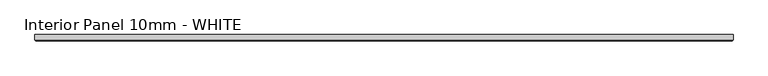
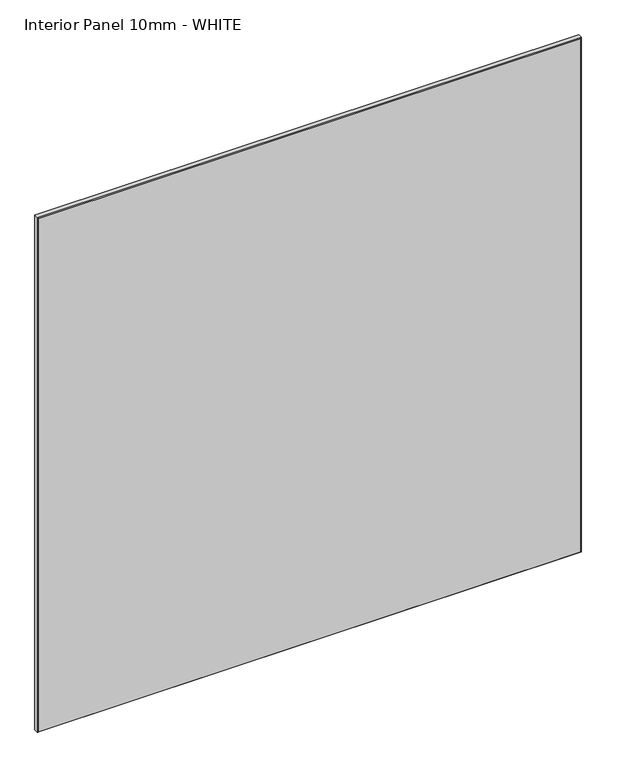
"""IFC4 building model written with IfcOpenShell, lengths in millimetres: proxy geometry, Interior Panel 10mm - WHITE."""

from ifc_helpers import new_model, si_unit, origin, place, context, project, spatial, faceted_brep, source, transform, mapped, element, save


def interior_panel_10mm_white_414d8b6d(model_context):
    return source(origin(), model_context, "Body", "Brep", [
        faceted_brep([(990.6, 3.175, 1063.625), (-73.025, 3.175, 1063.625), (-73.025, -4.7625, 1063.625), (990.6, -4.7625, 1063.625), (990.6, 3.175, 0.0), (990.6, -4.7625, 0.0), (-73.025, -4.7625, 0.0), (-73.025, 3.175, 0.0), (-71.4375, -6.35, 1062.0375), (-71.4375, -6.35, 1.5875), (989.0125, -6.35, 1.5875), (989.0125, -6.35, 1062.0375)], [[[0, 1, 2, 3]], [[4, 5, 6, 7]], [[1, 0, 4, 7]], [[2, 1, 7, 6]], [[8, 9, 10, 11]], [[0, 3, 5, 4]], [[2, 6, 9, 8]], [[5, 3, 11, 10]], [[3, 2, 8, 11]], [[6, 5, 10, 9]]]),
    ])


if __name__ == "__main__":
    model = new_model("IFC4")
    model_context = context("Model", 3, world=origin())
    ifc_project = project(units=[si_unit("LENGTHUNIT", "METRE", prefix="MILLI")], contexts=[model_context])
    site = spatial("IfcSite", under=ifc_project)
    building = spatial("IfcBuilding", under=site)
    placement = place(None, origin())
    interior_panel_10mm_white_shape = interior_panel_10mm_white_414d8b6d(model_context)
    element("IfcBuildingElementProxy", 1, Name="Interior Panel 10mm - WHITE", ObjectType="Interior Panel 10mm - WHITE", at=placement, inside=building, context=model_context, shape_type="MappedRepresentation", body=[
        mapped(interior_panel_10mm_white_shape, transform((0.0, 0.0, 0.0), x_axis=(1.0, 0.0, 0.0), y_axis=(0.0, 1.0, 0.0), z_axis=(0.0, 0.0, 1.0))),
    ])
    save(model, "model.ifc")
